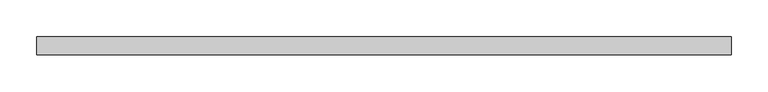
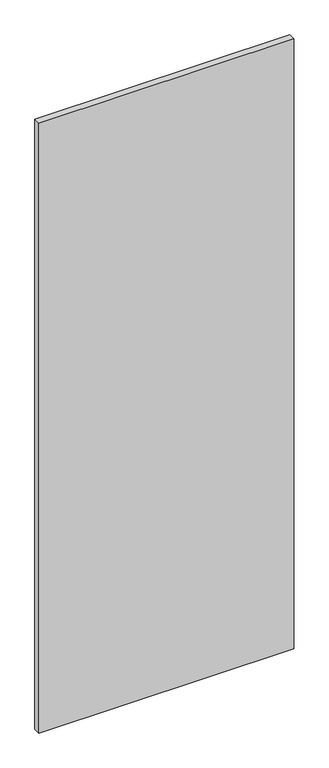
"""IFC4 building model written with IfcOpenShell, lengths in millimetres: plate geometry."""

from ifc_helpers import new_model, si_unit, origin, origin_with_axes, place, context, project, spatial, polyline, outline, extrude, source, transform, mapped, element, save


def plate_0a2bbf17(model_context):
    return source(origin(), model_context, "Body", "SweptSolid", [
        extrude(outline(polyline([(475.0, -12.5), (-475.0, -12.5), (-475.0, 12.5), (475.0, 12.5), (475.0, -12.5)])), origin_with_axes(), (0.0, 0.0, 1.0), 2403.1629157),
    ])


if __name__ == "__main__":
    model = new_model("IFC4")
    model_context = context("Model", 3, world=origin())
    ifc_project = project(units=[si_unit("LENGTHUNIT", "METRE", prefix="MILLI")], contexts=[model_context])
    site = spatial("IfcSite", under=ifc_project)
    building = spatial("IfcBuilding", under=site)
    placement = place(None, origin())
    plate_shape = plate_0a2bbf17(model_context)
    element("IfcPlate", 1, at=placement, inside=building, context=model_context, shape_type="MappedRepresentation", body=[
        mapped(plate_shape, transform((0.0, 0.0, 0.0), x_axis=(1.0, 0.0, 0.0), y_axis=(0.0, 1.0, 0.0), z_axis=(0.0, 0.0, 1.0))),
    ])
    save(model, "model.ifc")
